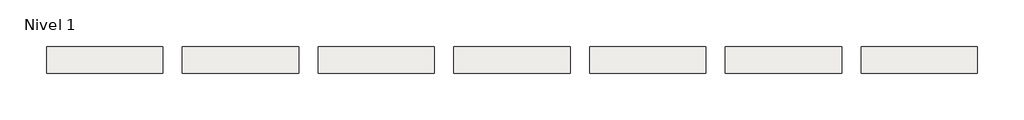
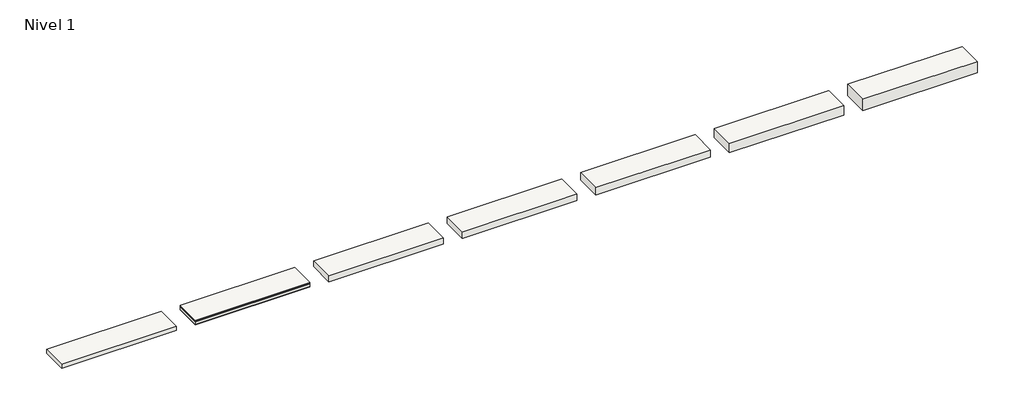
# One storey: 7 slabs.
"""IFC4 building model written with IfcOpenShell, lengths in millimetres."""

from ifc_helpers import new_model, si_unit, frame, origin, place, context, project, spatial, polyline, outline, extrude, element, save

model = new_model("IFC4")

# Units and contexts
model_context = context("Model", 3, world=origin())
ifc_project = project(units=[si_unit("LENGTHUNIT", "METRE", prefix="MILLI")], contexts=[model_context])

# Site, building, storey
site = spatial("IfcSite", under=ifc_project)
building = spatial("IfcBuilding", under=site)
storey = spatial("IfcBuildingStorey", under=building, Name="Nivel 1", Elevation=0.0)

# Slabs
placement = place(None, origin())
element("IfcSlab", 1, at=placement, inside=storey, context=model_context, shape_type="SweptSolid", body=[
    extrude(outline(polyline([(1184.4345966, -2901.6608764), (1184.4345966, -3451.6608764), (-1215.5654034, -3451.6608764), (-1215.5654034, -2901.6608764), (1184.4345966, -2901.6608764)])), frame((0.0, 0.0, -20.0), z_axis=(0.0, 0.0, 1.0), x_axis=(1.0, 0.0, 0.0)), (0.0, 0.0, 1.0), 20.0),
    extrude(outline(polyline([(1184.4345966, -2901.6608764), (1184.4345966, -3451.6608764), (-1215.5654034, -3451.6608764), (-1215.5654034, -2901.6608764), (1184.4345966, -2901.6608764)])), frame((0.0, 0.0, -32.5), z_axis=(0.0, 0.0, 1.0), x_axis=(1.0, 0.0, 0.0)), (0.0, 0.0, 1.0), 12.5),
    extrude(outline(polyline([(1184.4345966, -2901.6608764), (1184.4345966, -3451.6608764), (-1215.5654034, -3451.6608764), (-1215.5654034, -2901.6608764), (1184.4345966, -2901.6608764)])), frame((0.0, 0.0, -92.5), z_axis=(0.0, 0.0, 1.0), x_axis=(1.0, 0.0, 0.0)), (0.0, 0.0, 1.0), 60.0),
    extrude(outline(polyline([(1184.4345966, -2901.6608764), (1184.4345966, -3451.6608764), (-1215.5654034, -3451.6608764), (-1215.5654034, -2901.6608764), (1184.4345966, -2901.6608764)])), frame((0.0, 0.0, -105.0), z_axis=(0.0, 0.0, 1.0), x_axis=(1.0, 0.0, 0.0)), (0.0, 0.0, 1.0), 12.5),
])
element("IfcSlab", 2, at=placement, inside=storey, context=model_context, shape_type="SweptSolid", body=[
    extrude(outline(polyline([(-1615.5654034, -2901.6608764), (-1615.5654034, -3451.6608764), (-4015.5654034, -3451.6608764), (-4015.5654034, -2901.6608764), (-1615.5654034, -2901.6608764)])), frame((0.0, 0.0, -85.0), z_axis=(0.0, 0.0, 1.0), x_axis=(1.0, 0.0, 0.0)), (0.0, 0.0, 1.0), 85.0),
])
element("IfcSlab", 3, at=placement, inside=storey, context=model_context, shape_type="SweptSolid", body=[
    extrude(outline(polyline([(3984.4345966, -2901.6608764), (3984.4345966, -3451.6608764), (1584.4345966, -3451.6608764), (1584.4345966, -2901.6608764), (3984.4345966, -2901.6608764)])), frame((0.0, 0.0, -125.0), z_axis=(0.0, 0.0, 1.0), x_axis=(1.0, 0.0, 0.0)), (0.0, 0.0, 1.0), 125.0),
])
element("IfcSlab", 4, at=placement, inside=storey, context=model_context, shape_type="SweptSolid", body=[
    extrude(outline(polyline([(6784.4345966, -2901.6608764), (6784.4345966, -3451.6608764), (4384.4345966, -3451.6608764), (4384.4345966, -2901.6608764), (6784.4345966, -2901.6608764)])), frame((0.0, 0.0, -145.0), z_axis=(0.0, 0.0, 1.0), x_axis=(1.0, 0.0, 0.0)), (0.0, 0.0, 1.0), 145.0),
])
element("IfcSlab", 5, at=placement, inside=storey, context=model_context, shape_type="SweptSolid", body=[
    extrude(outline(polyline([(9584.4345966, -2901.6608764), (9584.4345966, -3451.6608764), (7184.4345966, -3451.6608764), (7184.4345966, -2901.6608764), (9584.4345966, -2901.6608764)])), frame((0.0, 0.0, -165.0), z_axis=(0.0, 0.0, 1.0), x_axis=(1.0, 0.0, 0.0)), (0.0, 0.0, 1.0), 165.0),
])
element("IfcSlab", 6, at=placement, inside=storey, context=model_context, shape_type="SweptSolid", body=[
    extrude(outline(polyline([(12384.4345966, -2901.6608764), (12384.4345966, -3451.6608764), (9984.4345966, -3451.6608764), (9984.4345966, -2901.6608764), (12384.4345966, -2901.6608764)])), frame((0.0, 0.0, -205.0), z_axis=(0.0, 0.0, 1.0), x_axis=(1.0, 0.0, 0.0)), (0.0, 0.0, 1.0), 205.0),
])
element("IfcSlab", 7, at=placement, inside=storey, context=model_context, shape_type="SweptSolid", body=[
    extrude(outline(polyline([(15184.4345966, -2901.6608764), (15184.4345966, -3451.6608764), (12784.4345966, -3451.6608764), (12784.4345966, -2901.6608764), (15184.4345966, -2901.6608764)])), frame((0.0, 0.0, -245.0), z_axis=(0.0, 0.0, 1.0), x_axis=(1.0, 0.0, 0.0)), (0.0, 0.0, 1.0), 245.0),
])

save(model, "model.ifc")
